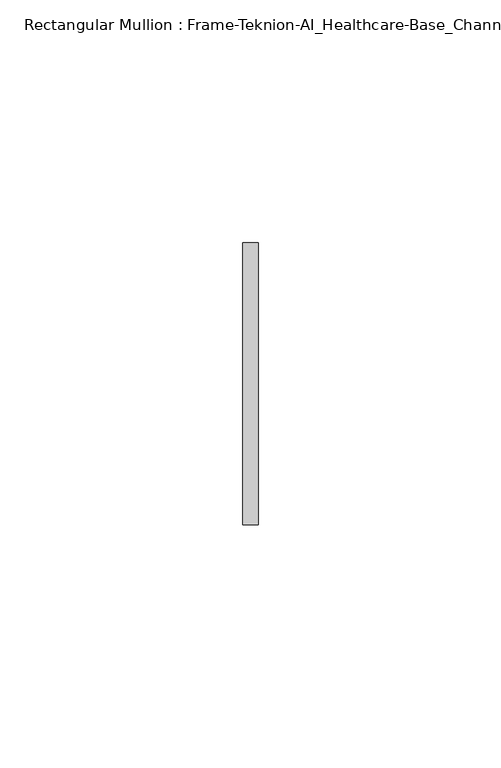
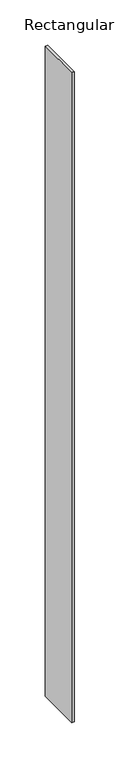
"""IFC4 building model written with IfcOpenShell, lengths in millimetres: member geometry, Rectangular Mullion : Frame-Teknion-AI_Healthcare-Base_Channel."""

from ifc_helpers import new_model, si_unit, frame, origin, place, context, project, spatial, polyline, outline, extrude, source, transform, mapped, element, save


def rectangular_mullion_frame_teknion_ai_healthcare_base_channel_9053b873(model_context):
    return source(origin(), model_context, "Body", "SweptSolid", [
        extrude(outline(polyline([(0.0, 29.0214844), (0.0, -29.0214844), (-3.175, -29.0214844), (-3.175, 29.0214844), (0.0, 29.0214844)])), frame((0.0, 0.0, -874.4816073), z_axis=(0.0, 0.0, 1.0), x_axis=(1.0, 0.0, 0.0)), (0.0, 0.0, 1.0), 874.4816073),
    ])


if __name__ == "__main__":
    model = new_model("IFC4")
    model_context = context("Model", 3, world=origin())
    ifc_project = project(units=[si_unit("LENGTHUNIT", "METRE", prefix="MILLI")], contexts=[model_context])
    site = spatial("IfcSite", under=ifc_project)
    building = spatial("IfcBuilding", under=site)
    placement = place(None, origin())
    rectangular_mullion_frame_teknion_ai_healthcare_base_channel_shape = rectangular_mullion_frame_teknion_ai_healthcare_base_channel_9053b873(model_context)
    element("IfcMember", 1, ObjectType="Rectangular Mullion : Frame-Teknion-AI_Healthcare-Base_Channel", at=placement, inside=building, context=model_context, shape_type="MappedRepresentation", body=[
        mapped(rectangular_mullion_frame_teknion_ai_healthcare_base_channel_shape, transform((0.0, 0.0, 0.0), x_axis=(1.0, 0.0, 0.0), y_axis=(0.0, 1.0, 0.0), z_axis=(0.0, 0.0, 1.0))),
    ])
    save(model, "model.ifc")
